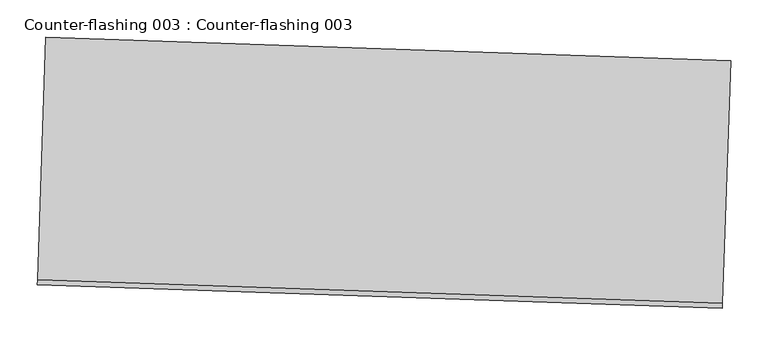
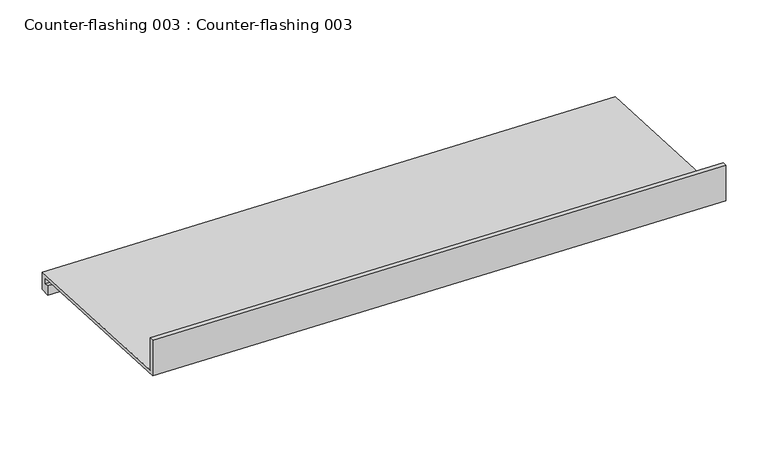
"""IFC4 building model written with IfcOpenShell, lengths in millimetres: proxy geometry, Counter-flashing 003 : Counter-flashing 003."""

from ifc_helpers import new_model, si_unit, frame, origin, place, context, project, spatial, polyline, outline, extrude, source, transform, mapped, element, save


def counter_flashing_003_counter_flashing_003_244c6463(model_context):
    return source(origin(), model_context, "Body", "SweptSolid", [
        extrude(outline(polyline([(0.0, 0.0), (29.9707031, 0.0), (61.332543, -323.7122655), (116.7612304, -323.7122655), (116.7612304, -330.171875), (55.4365234, -330.171875), (24.074707, -6.4609375), (6.4597168, -6.4609375), (6.4597168, -9.1718749), (15.6738281, -9.1718749), (15.6738281, -15.6328125), (0.0, -15.6328125), (0.0, 0.0)])), frame((34377.5429735, -14808.6526929, 4081.2353516), z_axis=(-0.999414947916627, 0.0342017818367072, 0.0), x_axis=(0.0, 0.0, 1.0)), (0.0, 0.0, 1.0), 914.4),
    ])


if __name__ == "__main__":
    model = new_model("IFC4")
    model_context = context("Model", 3, world=origin())
    ifc_project = project(units=[si_unit("LENGTHUNIT", "METRE", prefix="MILLI")], contexts=[model_context])
    site = spatial("IfcSite", under=ifc_project)
    building = spatial("IfcBuilding", under=site)
    placement = place(None, origin())
    counter_flashing_003_counter_flashing_003_shape = counter_flashing_003_counter_flashing_003_244c6463(model_context)
    element("IfcBuildingElementProxy", 1, Name="Counter-flashing 003 : Counter-flashing 003", ObjectType="Counter-flashing 003 : Counter-flashing 003", at=placement, inside=building, context=model_context, shape_type="MappedRepresentation", body=[
        mapped(counter_flashing_003_counter_flashing_003_shape, transform((0.0, 0.0, 0.0), x_axis=(1.0, 0.0, 0.0), y_axis=(0.0, 1.0, 0.0), z_axis=(0.0, 0.0, 1.0))),
    ])
    save(model, "model.ifc")
